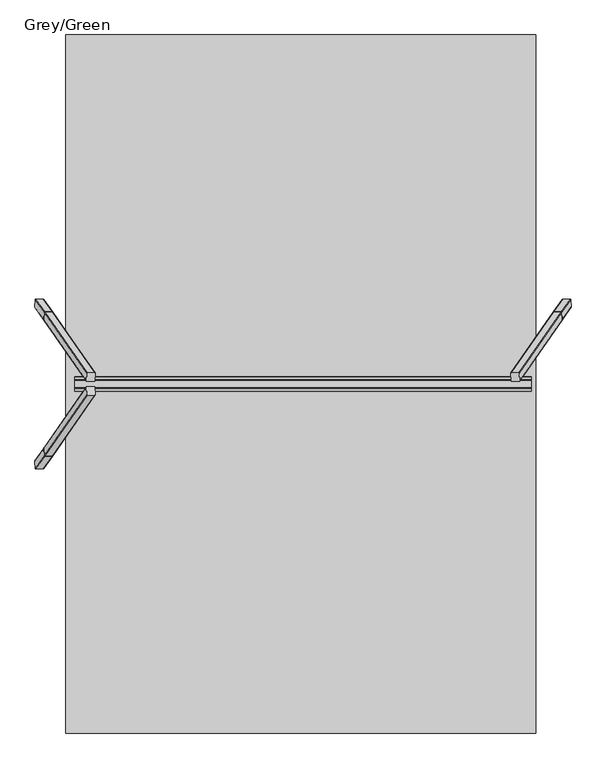
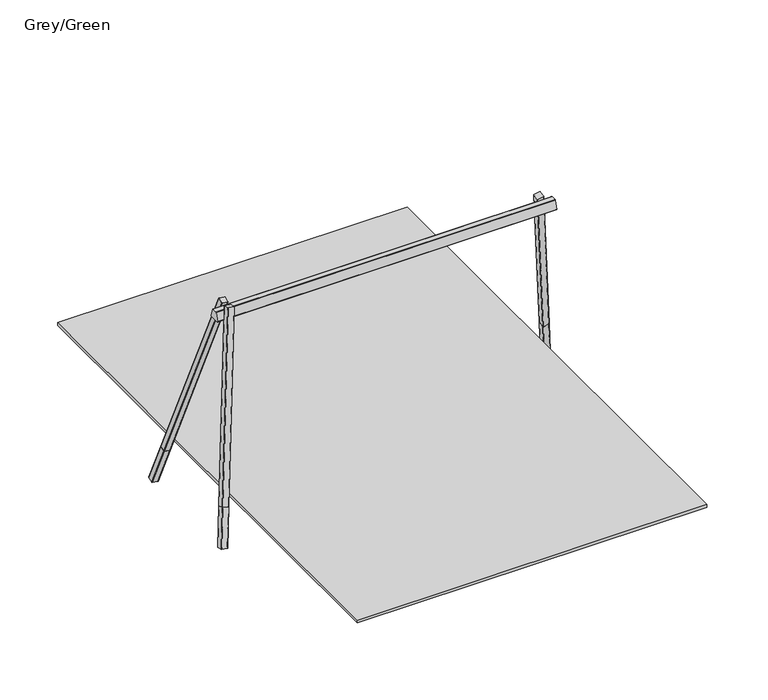
"""IFC4 building model written with IfcOpenShell, lengths in millimetres: furniture geometry, Grey/Green."""

from ifc_helpers import new_model, si_unit, point, frame, frame_2d, origin, place, context, project, spatial, polyline, circle_curve, trimmed, segment, composite_curve, outline, extrude, source, transform, mapped, element, save


def grey_green_e796deb3(model_context):
    return source(origin(), model_context, "Body", "SweptSolid", [
        extrude(outline(composite_curve([segment(trimmed(circle_curve(frame_2d((-32.576483, 90.0)), 5.0), [point((-37.576483, 90.0))], [point((-32.5764831, 95.0))], False, "CARTESIAN"), True, "CONTINUOUS"), segment(polyline([(-32.5764831, 95.0), (52.423517, 95.0)]), True, "CONTINUOUS"), segment(trimmed(circle_curve(frame_2d((52.423517, 90.0)), 5.0), [point((52.423517, 95.0))], [point((57.423517, 90.0))], False, "CARTESIAN"), True, "CONTINUOUS"), segment(polyline([(57.423517, 90.0), (57.4235169, 5.0000001)]), True, "CONTINUOUS"), segment(trimmed(circle_curve(frame_2d((52.423517, 5.0000001)), 5.0), [point((57.4235169, 5.0000001))], [point((52.423517, 0.0))], False, "CARTESIAN"), True, "CONTINUOUS"), segment(polyline([(52.423517, 0.0), (-32.5764831, 0.0)]), True, "CONTINUOUS"), segment(trimmed(circle_curve(frame_2d((-32.5764831, 5.0000001)), 5.0), [point((-32.5764831, 0.0))], [point((-37.576483, 5.0))], False, "CARTESIAN"), True, "CONTINUOUS"), segment(polyline([(-37.576483, 5.0), (-37.576483, 90.0)]), True, "CONTINUOUS")], self_intersect=False)), frame((3881.0135283, 838.9365244, -569.0672306), z_axis=(-0.17396165925896223, -0.24987304883695344, 0.9525233858403658), x_axis=(0.9837286289495357, 0.0, 0.17966074859319375)), (0.0, 0.0, 1.0), 560.0),
        extrude(outline(composite_curve([segment(trimmed(circle_curve(frame_2d((544.3354976, -15.6129077)), 5.0), [point((549.3354975, -15.6129077))], [point((544.3354976, -20.6129077))], False, "CARTESIAN"), True, "CONTINUOUS"), segment(polyline([(544.3354976, -20.6129077), (459.3354976, -20.6129076)]), True, "CONTINUOUS"), segment(trimmed(circle_curve(frame_2d((459.3354976, -15.6129077)), 5.0), [point((459.3354976, -20.6129076))], [point((454.3354976, -15.6129077))], False, "CARTESIAN"), True, "CONTINUOUS"), segment(polyline([(454.3354976, -15.6129077), (454.3354976, 69.3870923)]), True, "CONTINUOUS"), segment(trimmed(circle_curve(frame_2d((459.3354976, 69.3870923)), 5.0), [point((454.3354976, 69.3870923))], [point((459.3354976, 74.3870923))], False, "CARTESIAN"), True, "CONTINUOUS"), segment(polyline([(459.3354976, 74.3870923), (544.3354976, 74.3870923)]), True, "CONTINUOUS"), segment(trimmed(circle_curve(frame_2d((544.3354976, 69.3870923)), 5.0), [point((544.3354976, 74.3870923))], [point((549.3354976, 69.3870923))], False, "CARTESIAN"), True, "CONTINUOUS"), segment(polyline([(549.3354976, 69.3870923), (549.3354975, -15.6129077)]), True, "CONTINUOUS")], self_intersect=False)), frame((3298.7617384, 718.9666546, -118.9646067), z_axis=(-0.1739616592589606, -0.24987304883695416, 0.9525233858403659), x_axis=(0.9837286289495357, 0.0, 0.1796607485931937)), (0.0, 0.0, 1.0), 2680.0),
        extrude(outline(composite_curve([segment(polyline([(-37.576483, -90.0), (-37.576483, -5.0)]), True, "CONTINUOUS"), segment(trimmed(circle_curve(frame_2d((-32.5764831, -5.0000001)), 5.0), [point((-37.576483, -5.0))], [point((-32.5764831, 0.0))], False, "CARTESIAN"), True, "CONTINUOUS"), segment(polyline([(-32.5764831, 0.0), (52.423517, 0.0)]), True, "CONTINUOUS"), segment(trimmed(circle_curve(frame_2d((52.423517, -5.0000001)), 5.0), [point((52.423517, 0.0))], [point((57.4235169, -5.0000001))], False, "CARTESIAN"), True, "CONTINUOUS"), segment(polyline([(57.4235169, -5.0000001), (57.423517, -90.0)]), True, "CONTINUOUS"), segment(trimmed(circle_curve(frame_2d((52.423517, -90.0)), 5.0), [point((57.423517, -90.0))], [point((52.423517, -95.0))], False, "CARTESIAN"), True, "CONTINUOUS"), segment(polyline([(52.423517, -95.0), (-32.5764831, -95.0)]), True, "CONTINUOUS"), segment(trimmed(circle_curve(frame_2d((-32.576483, -90.0)), 5.0), [point((-32.5764831, -95.0))], [point((-37.576483, -90.0))], False, "CARTESIAN"), True, "CONTINUOUS")], self_intersect=False)), frame((-1881.0135283, 838.9365244, -569.0672306), z_axis=(0.17396165925896223, -0.24987304883695344, 0.9525233858403658), x_axis=(-0.9837286289495357, 0.0, 0.17966074859319375)), (0.0, 0.0, 1.0), 560.0),
        extrude(outline(composite_curve([segment(polyline([(549.3354975, 15.6129077), (549.3354976, -69.3870923)]), True, "CONTINUOUS"), segment(trimmed(circle_curve(frame_2d((544.3354976, -69.3870923)), 5.0), [point((549.3354976, -69.3870923))], [point((544.3354976, -74.3870923))], False, "CARTESIAN"), True, "CONTINUOUS"), segment(polyline([(544.3354976, -74.3870923), (459.3354976, -74.3870923)]), True, "CONTINUOUS"), segment(trimmed(circle_curve(frame_2d((459.3354976, -69.3870923)), 5.0), [point((459.3354976, -74.3870923))], [point((454.3354976, -69.3870923))], False, "CARTESIAN"), True, "CONTINUOUS"), segment(polyline([(454.3354976, -69.3870923), (454.3354976, 15.6129077)]), True, "CONTINUOUS"), segment(trimmed(circle_curve(frame_2d((459.3354976, 15.6129077)), 5.0), [point((454.3354976, 15.6129077))], [point((459.3354976, 20.6129076))], False, "CARTESIAN"), True, "CONTINUOUS"), segment(polyline([(459.3354976, 20.6129076), (544.3354976, 20.6129077)]), True, "CONTINUOUS"), segment(trimmed(circle_curve(frame_2d((544.3354976, 15.6129077)), 5.0), [point((544.3354976, 20.6129077))], [point((549.3354975, 15.6129077))], False, "CARTESIAN"), True, "CONTINUOUS")], self_intersect=False)), frame((-1298.7617384, 718.9666546, -118.9646067), z_axis=(0.1739616592589606, -0.24987304883695416, 0.9525233858403659), x_axis=(-0.9837286289495357, 0.0, 0.1796607485931937)), (0.0, 0.0, 1.0), 2680.0),
        extrude(outline(composite_curve([segment(trimmed(circle_curve(frame_2d((-32.576483, 90.0)), 5.0), [point((-37.576483, 90.0))], [point((-32.5764831, 95.0))], False, "CARTESIAN"), True, "CONTINUOUS"), segment(polyline([(-32.5764831, 95.0), (52.423517, 95.0)]), True, "CONTINUOUS"), segment(trimmed(circle_curve(frame_2d((52.423517, 90.0)), 5.0), [point((52.423517, 95.0))], [point((57.423517, 90.0))], False, "CARTESIAN"), True, "CONTINUOUS"), segment(polyline([(57.423517, 90.0), (57.4235169, 5.0000001)]), True, "CONTINUOUS"), segment(trimmed(circle_curve(frame_2d((52.423517, 5.0000001)), 5.0), [point((57.4235169, 5.0000001))], [point((52.423517, 0.0))], False, "CARTESIAN"), True, "CONTINUOUS"), segment(polyline([(52.423517, 0.0), (-32.5764831, 0.0)]), True, "CONTINUOUS"), segment(trimmed(circle_curve(frame_2d((-32.5764831, 5.0000001)), 5.0), [point((-32.5764831, 0.0))], [point((-37.576483, 5.0))], False, "CARTESIAN"), True, "CONTINUOUS"), segment(polyline([(-37.576483, 5.0), (-37.576483, 90.0)]), True, "CONTINUOUS")], self_intersect=False)), frame((-1881.0135283, -838.9365244, -569.0672306), z_axis=(0.17396165925896223, 0.24987304883695344, 0.9525233858403658), x_axis=(-0.9837286289495357, 0.0, 0.17966074859319375)), (0.0, 0.0, 1.0), 560.0),
        extrude(outline(composite_curve([segment(polyline([(74.8457619, 2342.2010506), (-74.473853, 2342.2010506)]), True, "CONTINUOUS"), segment(trimmed(circle_curve(frame_2d((-74.473853, 2347.2010506)), 5.0), [point((-74.473853, 2342.2010506))], [point((-79.2887572, 2348.5488997))], False, "CARTESIAN"), True, "CONTINUOUS"), segment(polyline([(-79.2887572, 2348.5488997), (-44.8570379, 2471.5488997)]), True, "CONTINUOUS"), segment(trimmed(circle_curve(frame_2d((-40.0421337, 2470.2010506)), 5.0), [point((-44.8570379, 2471.5488997))], [point((-40.0421337, 2475.2010506))], False, "CARTESIAN"), True, "CONTINUOUS"), segment(polyline([(-40.0421337, 2475.2010506), (39.6761648, 2475.2010506)]), True, "CONTINUOUS"), segment(trimmed(circle_curve(frame_2d((39.6761648, 2470.2010506)), 5.0), [point((39.6761648, 2475.2010506))], [point((44.4835084, 2471.5756225))], False, "CARTESIAN"), True, "CONTINUOUS"), segment(polyline([(44.4835084, 2471.5756225), (79.6531055, 2348.5756225)]), True, "CONTINUOUS"), segment(trimmed(circle_curve(frame_2d((74.8457619, 2347.2010506)), 5.0), [point((79.6531055, 2348.5756225))], [point((74.8457619, 2342.2010506))], False, "CARTESIAN"), True, "CONTINUOUS")], self_intersect=False)), frame((-1500.0, 0.0, 0.0), z_axis=(1.0, 0.0, 0.0), x_axis=(0.0, 1.0, 0.0)), (0.0, 0.0, 1.0), 5000.0),
        extrude(outline(composite_curve([segment(trimmed(circle_curve(frame_2d((544.3354976, -15.6129077)), 5.0), [point((549.3354975, -15.6129077))], [point((544.3354976, -20.6129077))], False, "CARTESIAN"), True, "CONTINUOUS"), segment(polyline([(544.3354976, -20.6129077), (459.3354976, -20.6129076)]), True, "CONTINUOUS"), segment(trimmed(circle_curve(frame_2d((459.3354976, -15.6129077)), 5.0), [point((459.3354976, -20.6129076))], [point((454.3354976, -15.6129077))], False, "CARTESIAN"), True, "CONTINUOUS"), segment(polyline([(454.3354976, -15.6129077), (454.3354976, 69.3870923)]), True, "CONTINUOUS"), segment(trimmed(circle_curve(frame_2d((459.3354976, 69.3870923)), 5.0), [point((454.3354976, 69.3870923))], [point((459.3354976, 74.3870923))], False, "CARTESIAN"), True, "CONTINUOUS"), segment(polyline([(459.3354976, 74.3870923), (544.3354976, 74.3870923)]), True, "CONTINUOUS"), segment(trimmed(circle_curve(frame_2d((544.3354976, 69.3870923)), 5.0), [point((544.3354976, 74.3870923))], [point((549.3354976, 69.3870923))], False, "CARTESIAN"), True, "CONTINUOUS"), segment(polyline([(549.3354976, 69.3870923), (549.3354975, -15.6129077)]), True, "CONTINUOUS")], self_intersect=False)), frame((-1298.7617384, -718.9666546, -118.9646067), z_axis=(0.1739616592589606, 0.24987304883695416, 0.9525233858403659), x_axis=(-0.9837286289495357, 0.0, 0.1796607485931937)), (0.0, 0.0, 1.0), 2680.0),
        extrude(outline(polyline([(3550.0, 3825.0), (3550.0, -3825.0), (-1600.0, -3825.0), (-1600.0, 3825.0), (3550.0, 3825.0)])), frame((0.0, 0.0, -40.0), z_axis=(0.0, 0.0, 1.0), x_axis=(1.0, 0.0, 0.0)), (0.0, 0.0, 1.0), 41.0),
    ])


if __name__ == "__main__":
    model = new_model("IFC4")
    model_context = context("Model", 3, world=origin())
    ifc_project = project(units=[si_unit("LENGTHUNIT", "METRE", prefix="MILLI")], contexts=[model_context])
    site = spatial("IfcSite", under=ifc_project)
    building = spatial("IfcBuilding", under=site)
    placement = place(None, origin())
    grey_green_shape = grey_green_e796deb3(model_context)
    element("IfcFurniture", 1, ObjectType="Grey/Green", at=placement, inside=building, context=model_context, shape_type="MappedRepresentation", body=[
        mapped(grey_green_shape, transform((0.0, 0.0, 0.0), x_axis=(1.0, 0.0, 0.0), y_axis=(0.0, 1.0, 0.0), z_axis=(0.0, 0.0, 1.0))),
    ])
    save(model, "model.ifc")
